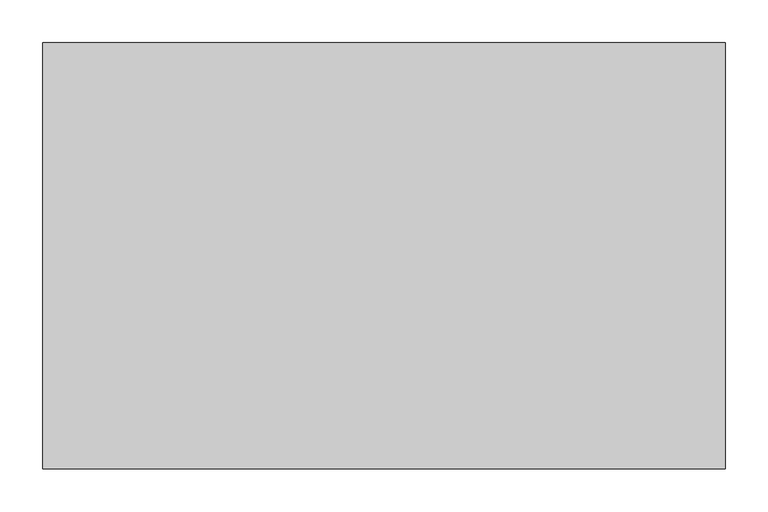
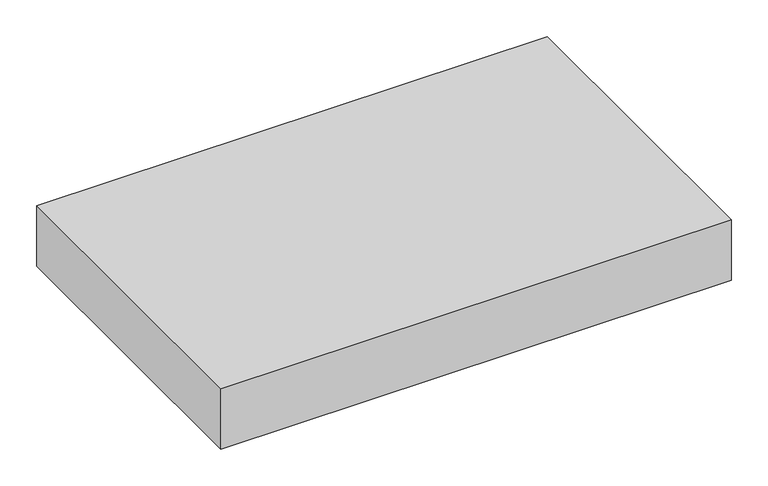
"""IFC4 building model written with IfcOpenShell, lengths in millimetres: proxy geometry."""

import ifcopenshell
import ifcopenshell.guid

model = None  # the IFC model being written
_history = None  # IfcOwnerHistory: only IFC2X3 demands one
_inside = {}  # id of a spatial element -> (the spatial element, [elements in it])
_under = {}  # id of a project, library or spatial element -> (it, [spatial elements below it])
_declared = {}  # id of a project -> (the project, [libraries it declares])
_typed = {}  # id of a type object -> (the type object, [elements of that type])
_made_of = {}  # id of a material, layer set ... -> (it, [elements and type objects made of it])


def new_model(schema):
    """Start an empty IFC model of exactly this schema.

    Asked for "IFC4X3", IfcOpenShell would pick the latest addendum, in which some entities
    have other attributes; the version numbers below select the first issue.
    IFC2X3 requires an IfcOwnerHistory on every rooted entity: one is made here for all.
    """
    global model, _history
    if schema == "IFC4X3":
        model = ifcopenshell.file(schema_version=(4, 3, 0, 0))
    else:
        model = ifcopenshell.file(schema=schema)
    _inside.clear()
    _under.clear()
    _declared.clear()
    _typed.clear()
    _made_of.clear()
    _history = None
    if model.schema == "IFC2X3":
        org = make("IfcOrganization", Name="unknown")
        user = make(
            "IfcPersonAndOrganization",
            ThePerson=make("IfcPerson", FamilyName="unknown"),
            TheOrganization=org,
        )
        app = make(
            "IfcApplication",
            ApplicationDeveloper=org,
            Version="unknown",
            ApplicationFullName="unknown",
            ApplicationIdentifier="unknown",
        )
        _history = make(
            "IfcOwnerHistory",
            OwningUser=user,
            OwningApplication=app,
            ChangeAction="ADDED",
            CreationDate=0,
        )
    return model


def make(cls, **values):
    """One entity of the class cls with the attributes given. An attribute that is None is left unset."""
    return model.create_entity(
        cls, **{name: value for name, value in values.items() if value is not None}
    )


def rooted(cls, **values):
    """An entity with a GlobalId (a new one), such as an element, a storey or a relation."""
    return make(cls, GlobalId=ifcopenshell.guid.new(), OwnerHistory=_history, **values)


def si_unit(unit_type, name, prefix=None):
    """IfcSIUnit, for example si_unit("LENGTHUNIT", "METRE", prefix="MILLI")."""
    return make("IfcSIUnit", UnitType=unit_type, Prefix=prefix, Name=name)


def assignment(units):
    """IfcUnitAssignment: the units of a project."""
    return None if units is None else make("IfcUnitAssignment", Units=units)


def point(xyz):
    """IfcCartesianPoint."""
    return None if xyz is None else make("IfcCartesianPoint", Coordinates=xyz)


def direction(xyz):
    """IfcDirection."""
    return None if xyz is None else make("IfcDirection", DirectionRatios=xyz)


def frame(location, z_axis=None, x_axis=None):
    """IfcAxis2Placement3D, a coordinate frame: its origin and axes. An axis left out is left unset."""
    return make(
        "IfcAxis2Placement3D",
        Location=point(location),
        Axis=direction(z_axis),
        RefDirection=direction(x_axis),
    )


def origin():
    """The frame at (0, 0, 0) with its axes left unset."""
    return frame((0.0, 0.0, 0.0))


def place(relative_to, where):
    """IfcLocalPlacement: puts the frame where relative to a parent placement (None: the world)."""
    return make(
        "IfcLocalPlacement", PlacementRelTo=relative_to, RelativePlacement=where
    )


def context(
    kind, dimensions, precision=None, world=None, true_north=None, identifier=None
):
    """IfcGeometricRepresentationContext, for example the 3D "Model" context."""
    return make(
        "IfcGeometricRepresentationContext",
        ContextIdentifier=identifier,
        ContextType=kind,
        CoordinateSpaceDimension=dimensions,
        Precision=precision,
        WorldCoordinateSystem=world,
        TrueNorth=true_north,
    )


def project(units=None, contexts=None):
    """IfcProject with its units and contexts."""
    return rooted(
        "IfcProject",
        Name="project",
        RepresentationContexts=contexts,
        UnitsInContext=assignment(units),
    )


def spatial(cls, under=None, at=None, **own):
    """A site, building, storey or space (cls), placed at a placement, below another one or the project."""
    s = rooted(cls, ObjectPlacement=at, **own)
    if under is not None:
        _under.setdefault(under.id(), (under, []))[1].append(s)
    return s


def polyline(points):
    """IfcPolyline through the points."""
    return make("IfcPolyline", Points=[point(p) for p in points])


def outline(outer, holes=None, kind="AREA"):
    """IfcArbitraryClosedProfileDef: a profile drawn as a closed curve; with holes, ...WithVoids."""
    if holes is None:
        return make("IfcArbitraryClosedProfileDef", ProfileType=kind, OuterCurve=outer)
    return make(
        "IfcArbitraryProfileDefWithVoids",
        ProfileType=kind,
        OuterCurve=outer,
        InnerCurves=holes,
    )


def extrude(swept, where, along, depth):
    """IfcExtrudedAreaSolid: the profile swept, set in the frame where, extruded along a direction by depth."""
    return make(
        "IfcExtrudedAreaSolid",
        SweptArea=swept,
        Position=where,
        ExtrudedDirection=direction(along),
        Depth=depth,
    )


def shape(context_of_items, identifier, shape_type, items):
    """IfcShapeRepresentation: the items that make up one representation, for example the "Body"."""
    return make(
        "IfcShapeRepresentation",
        ContextOfItems=context_of_items,
        RepresentationIdentifier=identifier,
        RepresentationType=shape_type,
        Items=items,
    )


def source(mapping_origin, context_of_items, identifier, shape_type, items):
    """IfcRepresentationMap: a shape defined once, which mapped items show again and again."""
    return make(
        "IfcRepresentationMap",
        MappingOrigin=mapping_origin,
        MappedRepresentation=shape(context_of_items, identifier, shape_type, items),
    )


def transform(
    local_origin,
    x_axis=None,
    y_axis=None,
    z_axis=None,
    scale=None,
    scale2=None,
    scale3=None,
    uniform=True,
):
    """IfcCartesianTransformationOperator3D, or its non-uniform kind. x_axis, y_axis, z_axis: its Axis1, 2, 3."""
    if uniform:
        return make(
            "IfcCartesianTransformationOperator3D",
            Axis1=direction(x_axis),
            Axis2=direction(y_axis),
            LocalOrigin=point(local_origin),
            Scale=scale,
            Axis3=direction(z_axis),
        )
    return make(
        "IfcCartesianTransformationOperator3DnonUniform",
        Axis1=direction(x_axis),
        Axis2=direction(y_axis),
        LocalOrigin=point(local_origin),
        Scale=scale,
        Axis3=direction(z_axis),
        Scale2=scale2,
        Scale3=scale3,
    )


def mapped(mapping_source, mapping_target):
    """IfcMappedItem: shows the shape of a source again, moved by a transform."""
    return make(
        "IfcMappedItem", MappingSource=mapping_source, MappingTarget=mapping_target
    )


def made_of(thing, what):
    """Note that an element or type object is made of a material, layer set ...; save() writes the relation."""
    if what is not None:
        _made_of.setdefault(what.id(), (what, []))[1].append(thing)
    return thing


def element(
    cls,
    number,
    at=None,
    inside=None,
    cuts=None,
    type_object=None,
    material=None,
    context=None,
    identifier="Body",
    shape_type=None,
    held_by="IfcProductDefinitionShape",
    body=None,
    shapes=None,
    **own,
):
    """One element of the class cls, such as IfcWall. Its Tag is "e" and its number.

    at: its placement. inside: the storey or other place that contains it. cuts: it is an
    opening in that element (IfcRelVoidsElement). A single representation is given by context,
    identifier, shape_type and body (its items); several are given by shapes. held_by: the class
    of the entity that holds the representations. save() writes the other relations.
    """
    e = rooted(cls, Tag="e%d" % number, ObjectPlacement=at, **own)
    if body is not None:
        shapes = [shape(context, identifier, shape_type, body)]
    if shapes is not None:
        e.Representation = make(held_by, Representations=shapes)
    if inside is not None:
        _inside.setdefault(inside.id(), (inside, []))[1].append(e)
    if cuts is not None:
        rooted(
            "IfcRelVoidsElement", RelatingBuildingElement=cuts, RelatedOpeningElement=e
        )
    if type_object is not None:
        _typed.setdefault(type_object.id(), (type_object, []))[1].append(e)
    return made_of(e, material)


def aggregate(whole, parts):
    """IfcRelAggregates: a whole, such as a stair, and the parts it consists of."""
    return rooted("IfcRelAggregates", RelatingObject=whole, RelatedObjects=parts)


def save(model, path):
    """Write the relations noted so far, then the file.

    IfcRelAggregates (storeys below a building ...), IfcRelContainedInSpatialStructure (elements
    in a storey), IfcRelDefinesByType, IfcRelAssociatesMaterial and IfcRelDeclares: one each for
    every whole, place, type object, material and project.
    """
    for whole, parts in _under.values():
        aggregate(whole, parts)
    for where, things in _inside.values():
        rooted(
            "IfcRelContainedInSpatialStructure",
            RelatedElements=things,
            RelatingStructure=where,
        )
    for kind, things in _typed.values():
        rooted("IfcRelDefinesByType", RelatedObjects=things, RelatingType=kind)
    for what, things in _made_of.values():
        rooted("IfcRelAssociatesMaterial", RelatedObjects=things, RelatingMaterial=what)
    for by, libraries in _declared.values():
        rooted("IfcRelDeclares", RelatingContext=by, RelatedDefinitions=libraries)
    model.write(path)


def generic_models_6f4f9744(model_context):
    return source(origin(), model_context, "Body", "SweptSolid", [
        extrude(outline(polyline([(800.0, 500.0), (800.0, 0.0), (0.0, 0.0), (0.0, 500.0), (800.0, 500.0)])), frame((0.0, 0.0, 850.0), z_axis=(0.0, 0.0, 1.0), x_axis=(1.0, 0.0, 0.0)), (0.0, 0.0, 1.0), 100.0),
    ])


if __name__ == "__main__":
    model = new_model("IFC4")
    model_context = context("Model", 3, world=origin())
    ifc_project = project(units=[si_unit("LENGTHUNIT", "METRE", prefix="MILLI")], contexts=[model_context])
    site = spatial("IfcSite", under=ifc_project)
    building = spatial("IfcBuilding", under=site)
    placement = place(None, origin())
    generic_models_shape = generic_models_6f4f9744(model_context)
    element("IfcBuildingElementProxy", 1, Name="Generic Models", at=placement, inside=building, context=model_context, shape_type="MappedRepresentation", body=[
        mapped(generic_models_shape, transform((0.0, 0.0, 0.0), x_axis=(1.0, 0.0, 0.0), y_axis=(0.0, 1.0, 0.0), z_axis=(0.0, 0.0, 1.0))),
    ])
    save(model, "model.ifc")
